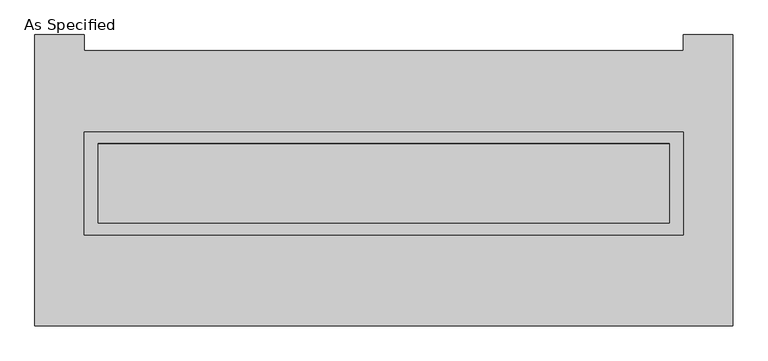
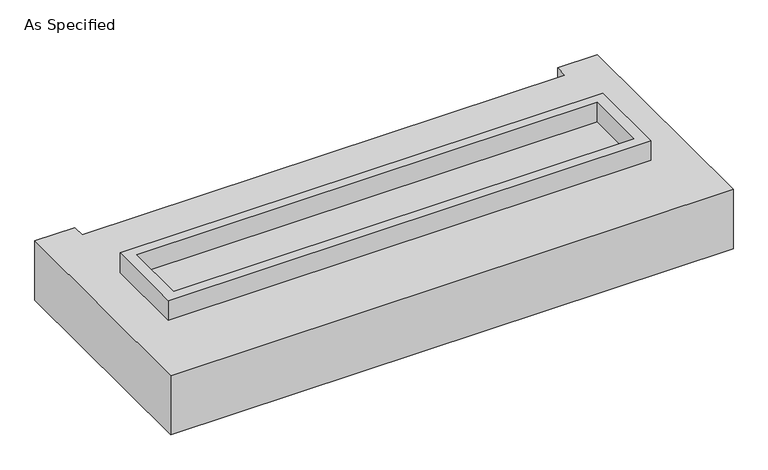
"""IFC4 building model written with IfcOpenShell, lengths in millimetres: proxy geometry, As Specified."""

from ifc_helpers import new_model, si_unit, frame, origin, place, context, project, spatial, polyline, outline, extrude, faceted_brep, source, transform, mapped, element, save


def as_specified_3498d147(model_context):
    return source(origin(), model_context, "Body", "SolidModel", [
        extrude(outline(polyline([(1917.7, 361.95), (1917.7, -298.45), (-1917.7, -298.45), (-1917.7, 361.95), (1917.7, 361.95)]), holes=[polyline([(1828.8, 285.75), (-1828.8, 285.75), (-1828.8, -222.25), (1828.8, -222.25), (1828.8, 285.75)])]), frame((0.0, 0.0, -25.4), z_axis=(0.0, 0.0, 1.0), x_axis=(1.0, 0.0, 0.0)), (0.0, 0.0, 1.0), 165.1),
        extrude(outline(polyline([(1828.8, 285.75), (1828.8, -222.25), (-1828.8, -222.25), (-1828.8, 285.75), (1828.8, 285.75)])), frame((0.0, 0.0, -30.3609375), z_axis=(0.0, 0.0, 1.0), x_axis=(1.0, 0.0, 0.0)), (0.0, 0.0, 1.0), 4.9609375),
        faceted_brep([(2235.2, -882.65, -523.875), (-2235.2, -882.65, -523.875), (-2235.2, 984.25, -523.875), (-1917.7, 984.25, -523.875), (-1917.7, 882.65, -523.875), (1917.7, 882.65, -523.875), (1917.7, 984.25, -523.875), (2235.2, 984.25, -523.875), (-2235.2, -882.65, -25.4), (2235.2, -882.65, -25.4), (2235.2, 984.25, -25.4), (1917.7, 984.25, -25.4), (1917.7, 882.65, -25.4), (-1917.7, 882.65, -25.4), (-1917.7, 984.25, -25.4), (-2235.2, 984.25, -25.4), (-1917.7, -298.45, -25.4), (-1917.7, 361.95, -25.4), (1917.7, 361.95, -25.4), (1917.7, -298.45, -25.4), (1917.7, 361.95, -498.475), (-1917.7, 361.95, -498.475), (-1917.7, -298.45, -498.475), (1917.7, -298.45, -498.475)], [[[0, 1, 2, 3, 4, 5, 6, 7]], [[8, 9, 10, 11, 12, 13, 14, 15], [16, 17, 18, 19]], [[4, 13, 12, 5]], [[1, 8, 15, 2]], [[10, 9, 0, 7]], [[20, 21, 22, 23]], [[22, 21, 17, 16]], [[21, 20, 18, 17]], [[20, 23, 19, 18]], [[16, 19, 23, 22]], [[1, 0, 9, 8]], [[4, 3, 14, 13]], [[3, 2, 15, 14]], [[6, 5, 12, 11]], [[7, 6, 11, 10]]]),
    ])


if __name__ == "__main__":
    model = new_model("IFC4")
    model_context = context("Model", 3, world=origin())
    ifc_project = project(units=[si_unit("LENGTHUNIT", "METRE", prefix="MILLI")], contexts=[model_context])
    site = spatial("IfcSite", under=ifc_project)
    building = spatial("IfcBuilding", under=site)
    placement = place(None, origin())
    as_specified_shape = as_specified_3498d147(model_context)
    element("IfcBuildingElementProxy", 1, Name="As Specified", ObjectType="As Specified", at=placement, inside=building, context=model_context, shape_type="MappedRepresentation", body=[
        mapped(as_specified_shape, transform((0.0, 0.0, 0.0), x_axis=(1.0, 0.0, 0.0), y_axis=(0.0, 1.0, 0.0), z_axis=(0.0, 0.0, 1.0))),
    ])
    save(model, "model.ifc")
